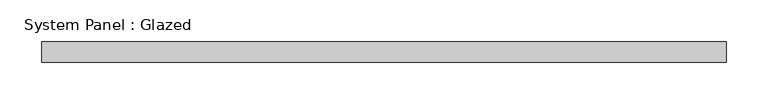
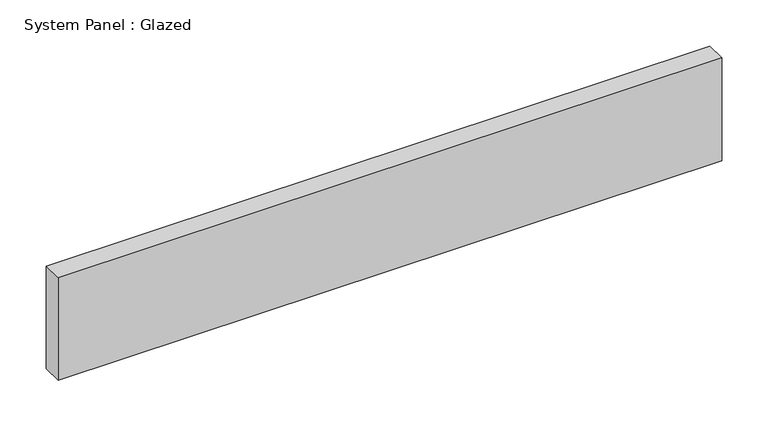
"""IFC4 building model written with IfcOpenShell, lengths in millimetres: plate geometry, System Panel : Glazed."""

from ifc_helpers import new_model, si_unit, origin, origin_with_axes, place, context, project, spatial, polyline, outline, extrude, source, transform, mapped, element, save


def system_panel_glazed_834f9482(model_context):
    return source(origin(), model_context, "Body", "SweptSolid", [
        extrude(outline(polyline([(412.5, -49.5), (-412.5, -49.5), (-412.5, -24.5), (412.5, -24.5), (412.5, -49.5)])), origin_with_axes(), (0.0, 0.0, 1.0), 135.0),
    ])


if __name__ == "__main__":
    model = new_model("IFC4")
    model_context = context("Model", 3, world=origin())
    ifc_project = project(units=[si_unit("LENGTHUNIT", "METRE", prefix="MILLI")], contexts=[model_context])
    site = spatial("IfcSite", under=ifc_project)
    building = spatial("IfcBuilding", under=site)
    placement = place(None, origin())
    system_panel_glazed_shape = system_panel_glazed_834f9482(model_context)
    element("IfcPlate", 1, ObjectType="System Panel : Glazed", at=placement, inside=building, context=model_context, shape_type="MappedRepresentation", body=[
        mapped(system_panel_glazed_shape, transform((0.0, 0.0, 0.0), x_axis=(1.0, 0.0, 0.0), y_axis=(0.0, 1.0, 0.0), z_axis=(0.0, 0.0, 1.0))),
    ])
    save(model, "model.ifc")
